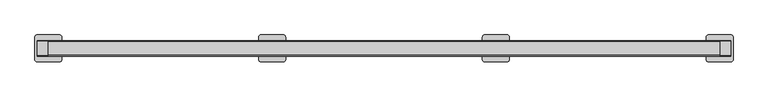
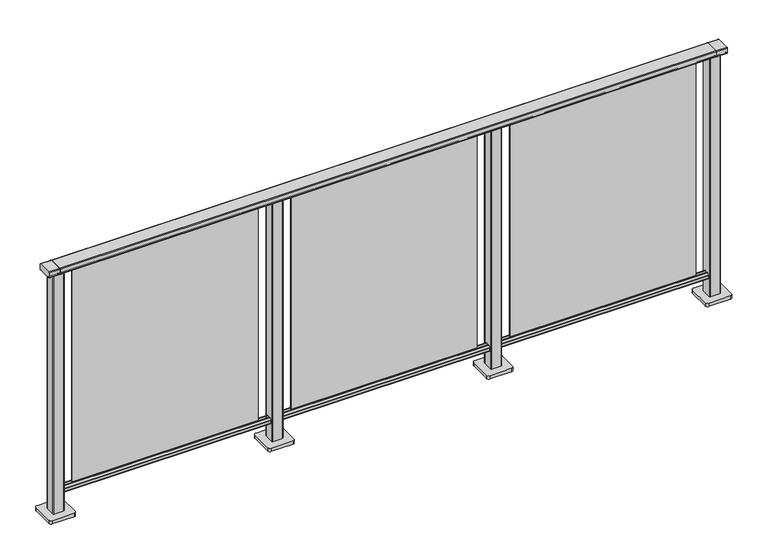
"""IFC4 building model written with IfcOpenShell, lengths in millimetres: railing geometry."""

from ifc_helpers import new_model, si_unit, point, frame, frame_2d, origin, origin_with_axes, place, context, project, spatial, polyline, circle_curve, trimmed, segment, composite_curve, outline, extrude, source, transform, mapped, element, save


def railing_82c3484a(model_context):
    return source(origin(), model_context, "Body", "SweptSolid", [
        extrude(outline(composite_curve([segment(trimmed(circle_curve(frame_2d((9717.8460333, 1197.0)), 3.0), [point((9717.8460333, 1200.0))], [point((9720.8460333, 1197.0))], False, "CARTESIAN"), True, "CONTINUOUS"), segment(polyline([(9720.8460333, 1197.0), (9720.8460333, 1174.8)]), True, "CONTINUOUS"), segment(trimmed(circle_curve(frame_2d((9717.8460333, 1174.8)), 3.0), [point((9720.8460333, 1174.8))], [point((9717.8460333, 1171.8))], False, "CARTESIAN"), True, "CONTINUOUS"), segment(polyline([(9717.8460333, 1171.8), (9712.9961193, 1171.8)]), True, "CONTINUOUS"), segment(trimmed(circle_curve(frame_2d((9712.9961193, 1172.7286632)), 0.9286632), [point((9712.9961193, 1171.8))], [point((9712.0960471, 1172.5000033))], False, "CARTESIAN"), True, "CONTINUOUS"), segment(trimmed(circle_curve(frame_2d((9711.5960471, 1172.5000003)), 0.5), [point((9712.0960471, 1172.5000033))], [point((9711.5960471, 1172.0000003))], False, "CARTESIAN"), True, "CONTINUOUS"), segment(polyline([(9711.5960471, 1172.0000003), (9694.5751393, 1172.0000003)]), True, "CONTINUOUS"), segment(trimmed(circle_curve(frame_2d((9685.8508208, 1188.8785723)), 18.999998), [point((9694.5751393, 1172.0000003))], [point((9677.1265024, 1172.0000003))], False, "CARTESIAN"), True, "CONTINUOUS"), segment(polyline([(9677.1265024, 1172.0000003), (9660.0960436, 1172.0000003)]), True, "CONTINUOUS"), segment(trimmed(circle_curve(frame_2d((9660.0960436, 1172.5000003)), 0.5), [point((9660.0960436, 1172.0000003))], [point((9659.5960436, 1172.5000033))], False, "CARTESIAN"), True, "CONTINUOUS"), segment(trimmed(circle_curve(frame_2d((9658.6961402, 1172.7284461)), 0.9284461), [point((9659.5960436, 1172.5000033))], [point((9658.6961402, 1171.8))], False, "CARTESIAN"), True, "CONTINUOUS"), segment(polyline([(9658.6961402, 1171.8), (9653.8460333, 1171.8)]), True, "CONTINUOUS"), segment(trimmed(circle_curve(frame_2d((9653.8460333, 1174.8)), 3.0), [point((9653.8460333, 1171.8))], [point((9650.8460333, 1174.8))], False, "CARTESIAN"), True, "CONTINUOUS"), segment(polyline([(9650.8460333, 1174.8), (9650.8460333, 1197.0)]), True, "CONTINUOUS"), segment(trimmed(circle_curve(frame_2d((9653.8460333, 1197.0)), 3.0), [point((9650.8460333, 1197.0))], [point((9653.8460333, 1200.0))], False, "CARTESIAN"), True, "CONTINUOUS"), segment(polyline([(9653.8460333, 1200.0), (9717.8460333, 1200.0)]), True, "CONTINUOUS")], self_intersect=False)), frame((3691.3946925, 0.0, 0.0), z_axis=(1.0, 0.0, 0.0), x_axis=(0.0, 1.0, 0.0)), (0.0, 0.0, 1.0), 3000.0),
        extrude(outline(composite_curve([segment(polyline([(9701.5508136, 100.0), (9670.1507946, 100.0)]), True, "CONTINUOUS"), segment(trimmed(circle_curve(frame_2d((9670.1507946, 101.8)), 1.8), [point((9670.1507946, 100.0))], [point((9668.3507946, 101.8))], False, "CARTESIAN"), True, "CONTINUOUS"), segment(polyline([(9668.3507946, 101.8), (9668.3507946, 115.5269955)]), True, "CONTINUOUS"), segment(trimmed(circle_curve(frame_2d((9670.1507946, 115.5269955)), 1.8), [point((9668.3507946, 115.5269955))], [point((9668.7923399, 116.7079277))], False, "CARTESIAN"), True, "CONTINUOUS"), segment(polyline([(9668.7923399, 116.7079277), (9675.4626384, 124.3809322)]), True, "CONTINUOUS"), segment(trimmed(circle_curve(frame_2d((9676.8210931, 123.2)), 1.8), [point((9675.4626384, 124.3809322))], [point((9676.8210931, 125.0))], False, "CARTESIAN"), True, "CONTINUOUS"), segment(polyline([(9676.8210931, 125.0), (9680.5111113, 125.0), (9681.809143, 113.0), (9689.8924411, 113.0), (9691.1904978, 125.0), (9694.88054, 125.0)]), True, "CONTINUOUS"), segment(trimmed(circle_curve(frame_2d((9694.88054, 123.2)), 1.8), [point((9694.88054, 125.0))], [point((9696.2389969, 124.3809297))], False, "CARTESIAN"), True, "CONTINUOUS"), segment(polyline([(9696.2389969, 124.3809297), (9702.9092704, 116.7079252)]), True, "CONTINUOUS"), segment(trimmed(circle_curve(frame_2d((9701.5508136, 115.5269955)), 1.8), [point((9702.9092704, 116.7079252))], [point((9703.3508136, 115.5269955))], False, "CARTESIAN"), True, "CONTINUOUS"), segment(polyline([(9703.3508136, 115.5269955), (9703.3508136, 101.8)]), True, "CONTINUOUS"), segment(trimmed(circle_curve(frame_2d((9701.5508136, 101.8)), 1.8), [point((9703.3508136, 101.8))], [point((9701.5508136, 100.0))], False, "CARTESIAN"), True, "CONTINUOUS")], self_intersect=False)), frame((3691.3946925, 0.0, 0.0), z_axis=(1.0, 0.0, 0.0), x_axis=(0.0, 1.0, 0.0)), (0.0, 0.0, 1.0), 3000.0),
        extrude(outline(polyline([(5766.3946925, 9687.8508041), (6616.3946925, 9687.8508041), (6616.3946925, 9683.8508041), (5766.3946925, 9683.8508041), (5766.3946925, 9687.8508041)])), frame((0.0, 0.0, 125.0), z_axis=(0.0, 0.0, 1.0), x_axis=(1.0, 0.0, 0.0)), (0.0, 0.0, 1.0), 1044.8785743),
        extrude(outline(composite_curve([segment(trimmed(circle_curve(frame_2d((5668.994681, 9708.2508266)), 3.0), [point((5665.994681, 9708.2508266))], [point((5668.994681, 9711.2508266))], False, "CARTESIAN"), True, "CONTINUOUS"), segment(polyline([(5668.994681, 9711.2508266), (5713.794704, 9711.2508266)]), True, "CONTINUOUS"), segment(trimmed(circle_curve(frame_2d((5713.794704, 9708.2508266)), 3.0), [point((5713.794704, 9711.2508266))], [point((5716.794704, 9708.2508266))], False, "CARTESIAN"), True, "CONTINUOUS"), segment(polyline([(5716.794704, 9708.2508266), (5716.794704, 9663.4508036)]), True, "CONTINUOUS"), segment(trimmed(circle_curve(frame_2d((5713.794704, 9663.4508036)), 3.0), [point((5716.794704, 9663.4508036))], [point((5713.794704, 9660.4508036))], False, "CARTESIAN"), True, "CONTINUOUS"), segment(polyline([(5713.794704, 9660.4508036), (5668.994681, 9660.4508036)]), True, "CONTINUOUS"), segment(trimmed(circle_curve(frame_2d((5668.994681, 9663.4508036)), 3.0), [point((5668.994681, 9660.4508036))], [point((5665.994681, 9663.4508036))], False, "CARTESIAN"), True, "CONTINUOUS"), segment(polyline([(5665.994681, 9663.4508036), (5665.994681, 9708.2508266)]), True, "CONTINUOUS")], self_intersect=False)), frame((0.0, 0.0, 16.0), z_axis=(0.0, 0.0, 1.0), x_axis=(1.0, 0.0, 0.0)), (0.0, 0.0, 1.0), 1153.8785743),
        extrude(outline(composite_curve([segment(trimmed(circle_curve(frame_2d((5641.394681, 9735.8508151)), 10.0), [point((5631.394681, 9735.8508151))], [point((5641.394681, 9745.8508151))], False, "CARTESIAN"), True, "CONTINUOUS"), segment(polyline([(5641.394681, 9745.8508151), (5741.394681, 9745.8508151)]), True, "CONTINUOUS"), segment(trimmed(circle_curve(frame_2d((5741.394681, 9735.8508151)), 10.0), [point((5741.394681, 9745.8508151))], [point((5751.394681, 9735.8508151))], False, "CARTESIAN"), True, "CONTINUOUS"), segment(polyline([(5751.394681, 9735.8508151), (5751.394681, 9635.8508151)]), True, "CONTINUOUS"), segment(trimmed(circle_curve(frame_2d((5741.394681, 9635.8508151)), 10.0), [point((5751.394681, 9635.8508151))], [point((5741.394681, 9625.8508151))], False, "CARTESIAN"), True, "CONTINUOUS"), segment(polyline([(5741.394681, 9625.8508151), (5641.394681, 9625.8508151)]), True, "CONTINUOUS"), segment(trimmed(circle_curve(frame_2d((5641.394681, 9635.8508151)), 10.0), [point((5641.394681, 9625.8508151))], [point((5631.394681, 9635.8508151))], False, "CARTESIAN"), True, "CONTINUOUS"), segment(polyline([(5631.394681, 9635.8508151), (5631.394681, 9735.8508151)]), True, "CONTINUOUS")], self_intersect=False)), origin_with_axes(), (0.0, 0.0, 1.0), 16.0),
        extrude(outline(polyline([(4766.3946925, 9687.8508041), (5616.3946925, 9687.8508041), (5616.3946925, 9683.8508041), (4766.3946925, 9683.8508041), (4766.3946925, 9687.8508041)])), frame((0.0, 0.0, 125.0), z_axis=(0.0, 0.0, 1.0), x_axis=(1.0, 0.0, 0.0)), (0.0, 0.0, 1.0), 1044.8785743),
        extrude(outline(composite_curve([segment(trimmed(circle_curve(frame_2d((4668.994681, 9708.2508266)), 3.0), [point((4665.994681, 9708.2508266))], [point((4668.994681, 9711.2508266))], False, "CARTESIAN"), True, "CONTINUOUS"), segment(polyline([(4668.994681, 9711.2508266), (4713.794704, 9711.2508266)]), True, "CONTINUOUS"), segment(trimmed(circle_curve(frame_2d((4713.794704, 9708.2508266)), 3.0), [point((4713.794704, 9711.2508266))], [point((4716.794704, 9708.2508266))], False, "CARTESIAN"), True, "CONTINUOUS"), segment(polyline([(4716.794704, 9708.2508266), (4716.794704, 9663.4508036)]), True, "CONTINUOUS"), segment(trimmed(circle_curve(frame_2d((4713.794704, 9663.4508036)), 3.0), [point((4716.794704, 9663.4508036))], [point((4713.794704, 9660.4508036))], False, "CARTESIAN"), True, "CONTINUOUS"), segment(polyline([(4713.794704, 9660.4508036), (4668.994681, 9660.4508036)]), True, "CONTINUOUS"), segment(trimmed(circle_curve(frame_2d((4668.994681, 9663.4508036)), 3.0), [point((4668.994681, 9660.4508036))], [point((4665.994681, 9663.4508036))], False, "CARTESIAN"), True, "CONTINUOUS"), segment(polyline([(4665.994681, 9663.4508036), (4665.994681, 9708.2508266)]), True, "CONTINUOUS")], self_intersect=False)), frame((0.0, 0.0, 16.0), z_axis=(0.0, 0.0, 1.0), x_axis=(1.0, 0.0, 0.0)), (0.0, 0.0, 1.0), 1153.8785743),
        extrude(outline(composite_curve([segment(trimmed(circle_curve(frame_2d((4641.394681, 9735.8508151)), 10.0), [point((4631.394681, 9735.8508151))], [point((4641.394681, 9745.8508151))], False, "CARTESIAN"), True, "CONTINUOUS"), segment(polyline([(4641.394681, 9745.8508151), (4741.394681, 9745.8508151)]), True, "CONTINUOUS"), segment(trimmed(circle_curve(frame_2d((4741.394681, 9735.8508151)), 10.0), [point((4741.394681, 9745.8508151))], [point((4751.394681, 9735.8508151))], False, "CARTESIAN"), True, "CONTINUOUS"), segment(polyline([(4751.394681, 9735.8508151), (4751.394681, 9635.8508151)]), True, "CONTINUOUS"), segment(trimmed(circle_curve(frame_2d((4741.394681, 9635.8508151)), 10.0), [point((4751.394681, 9635.8508151))], [point((4741.394681, 9625.8508151))], False, "CARTESIAN"), True, "CONTINUOUS"), segment(polyline([(4741.394681, 9625.8508151), (4641.394681, 9625.8508151)]), True, "CONTINUOUS"), segment(trimmed(circle_curve(frame_2d((4641.394681, 9635.8508151)), 10.0), [point((4641.394681, 9625.8508151))], [point((4631.394681, 9635.8508151))], False, "CARTESIAN"), True, "CONTINUOUS"), segment(polyline([(4631.394681, 9635.8508151), (4631.394681, 9735.8508151)]), True, "CONTINUOUS")], self_intersect=False)), origin_with_axes(), (0.0, 0.0, 1.0), 16.0),
        extrude(outline(polyline([(3766.3946925, 9687.8508041), (4616.3946925, 9687.8508041), (4616.3946925, 9683.8508041), (3766.3946925, 9683.8508041), (3766.3946925, 9687.8508041)])), frame((0.0, 0.0, 125.0), z_axis=(0.0, 0.0, 1.0), x_axis=(1.0, 0.0, 0.0)), (0.0, 0.0, 1.0), 1044.8785743),
        extrude(outline(composite_curve([segment(trimmed(circle_curve(frame_2d((6668.994681, 9708.2508266)), 3.0), [point((6665.994681, 9708.2508266))], [point((6668.994681, 9711.2508266))], False, "CARTESIAN"), True, "CONTINUOUS"), segment(polyline([(6668.994681, 9711.2508266), (6713.794704, 9711.2508266)]), True, "CONTINUOUS"), segment(trimmed(circle_curve(frame_2d((6713.794704, 9708.2508266)), 3.0), [point((6713.794704, 9711.2508266))], [point((6716.794704, 9708.2508266))], False, "CARTESIAN"), True, "CONTINUOUS"), segment(polyline([(6716.794704, 9708.2508266), (6716.794704, 9663.4508036)]), True, "CONTINUOUS"), segment(trimmed(circle_curve(frame_2d((6713.794704, 9663.4508036)), 3.0), [point((6716.794704, 9663.4508036))], [point((6713.794704, 9660.4508036))], False, "CARTESIAN"), True, "CONTINUOUS"), segment(polyline([(6713.794704, 9660.4508036), (6668.994681, 9660.4508036)]), True, "CONTINUOUS"), segment(trimmed(circle_curve(frame_2d((6668.994681, 9663.4508036)), 3.0), [point((6668.994681, 9660.4508036))], [point((6665.994681, 9663.4508036))], False, "CARTESIAN"), True, "CONTINUOUS"), segment(polyline([(6665.994681, 9663.4508036), (6665.994681, 9708.2508266)]), True, "CONTINUOUS")], self_intersect=False)), frame((0.0, 0.0, 16.0), z_axis=(0.0, 0.0, 1.0), x_axis=(1.0, 0.0, 0.0)), (0.0, 0.0, 1.0), 1153.8785743),
        extrude(outline(composite_curve([segment(trimmed(circle_curve(frame_2d((6641.394681, 9735.8508151)), 10.0), [point((6631.394681, 9735.8508151))], [point((6641.394681, 9745.8508151))], False, "CARTESIAN"), True, "CONTINUOUS"), segment(polyline([(6641.394681, 9745.8508151), (6741.394681, 9745.8508151)]), True, "CONTINUOUS"), segment(trimmed(circle_curve(frame_2d((6741.394681, 9735.8508151)), 10.0), [point((6741.394681, 9745.8508151))], [point((6751.394681, 9735.8508151))], False, "CARTESIAN"), True, "CONTINUOUS"), segment(polyline([(6751.394681, 9735.8508151), (6751.394681, 9635.8508151)]), True, "CONTINUOUS"), segment(trimmed(circle_curve(frame_2d((6741.394681, 9635.8508151)), 10.0), [point((6751.394681, 9635.8508151))], [point((6741.394681, 9625.8508151))], False, "CARTESIAN"), True, "CONTINUOUS"), segment(polyline([(6741.394681, 9625.8508151), (6641.394681, 9625.8508151)]), True, "CONTINUOUS"), segment(trimmed(circle_curve(frame_2d((6641.394681, 9635.8508151)), 10.0), [point((6641.394681, 9625.8508151))], [point((6631.394681, 9635.8508151))], False, "CARTESIAN"), True, "CONTINUOUS"), segment(polyline([(6631.394681, 9635.8508151), (6631.394681, 9735.8508151)]), True, "CONTINUOUS")], self_intersect=False)), origin_with_axes(), (0.0, 0.0, 1.0), 16.0),
        extrude(outline(composite_curve([segment(trimmed(circle_curve(frame_2d((9717.8460333, 1197.0)), 3.0), [point((9717.8460333, 1200.0))], [point((9720.8460333, 1197.0))], False, "CARTESIAN"), True, "CONTINUOUS"), segment(polyline([(9720.8460333, 1197.0), (9720.8460333, 1174.8)]), True, "CONTINUOUS"), segment(trimmed(circle_curve(frame_2d((9717.8460333, 1174.8)), 3.0), [point((9720.8460333, 1174.8))], [point((9717.8460333, 1171.8))], False, "CARTESIAN"), True, "CONTINUOUS"), segment(polyline([(9717.8460333, 1171.8), (9712.9961193, 1171.8)]), True, "CONTINUOUS"), segment(trimmed(circle_curve(frame_2d((9712.9961193, 1172.7286632)), 0.9286632), [point((9712.9961193, 1171.8))], [point((9712.0960471, 1172.5000033))], False, "CARTESIAN"), True, "CONTINUOUS"), segment(trimmed(circle_curve(frame_2d((9711.5960471, 1172.5000003)), 0.5), [point((9712.0960471, 1172.5000033))], [point((9711.5960471, 1172.0000003))], False, "CARTESIAN"), True, "CONTINUOUS"), segment(polyline([(9711.5960471, 1172.0000003), (9694.5751393, 1172.0000003)]), True, "CONTINUOUS"), segment(trimmed(circle_curve(frame_2d((9685.8508208, 1188.8785723)), 18.999998), [point((9694.5751393, 1172.0000003))], [point((9677.1265024, 1172.0000003))], False, "CARTESIAN"), True, "CONTINUOUS"), segment(polyline([(9677.1265024, 1172.0000003), (9660.0960436, 1172.0000003)]), True, "CONTINUOUS"), segment(trimmed(circle_curve(frame_2d((9660.0960436, 1172.5000003)), 0.5), [point((9660.0960436, 1172.0000003))], [point((9659.5960436, 1172.5000033))], False, "CARTESIAN"), True, "CONTINUOUS"), segment(trimmed(circle_curve(frame_2d((9658.6961402, 1172.7284461)), 0.9284461), [point((9659.5960436, 1172.5000033))], [point((9658.6961402, 1171.8))], False, "CARTESIAN"), True, "CONTINUOUS"), segment(polyline([(9658.6961402, 1171.8), (9653.8460333, 1171.8)]), True, "CONTINUOUS"), segment(trimmed(circle_curve(frame_2d((9653.8460333, 1174.8)), 3.0), [point((9653.8460333, 1171.8))], [point((9650.8460333, 1174.8))], False, "CARTESIAN"), True, "CONTINUOUS"), segment(polyline([(9650.8460333, 1174.8), (9650.8460333, 1197.0)]), True, "CONTINUOUS"), segment(trimmed(circle_curve(frame_2d((9653.8460333, 1197.0)), 3.0), [point((9650.8460333, 1197.0))], [point((9653.8460333, 1200.0))], False, "CARTESIAN"), True, "CONTINUOUS"), segment(polyline([(9653.8460333, 1200.0), (9717.8460333, 1200.0)]), True, "CONTINUOUS")], self_intersect=False)), frame((6691.3946925, 0.0, 0.0), z_axis=(1.0, 0.0, 0.0), x_axis=(0.0, 1.0, 0.0)), (0.0, 0.0, 1.0), 50.0),
        extrude(outline(composite_curve([segment(trimmed(circle_curve(frame_2d((3668.994681, 9708.2508266)), 3.0), [point((3665.994681, 9708.2508266))], [point((3668.994681, 9711.2508266))], False, "CARTESIAN"), True, "CONTINUOUS"), segment(polyline([(3668.994681, 9711.2508266), (3713.794704, 9711.2508266)]), True, "CONTINUOUS"), segment(trimmed(circle_curve(frame_2d((3713.794704, 9708.2508266)), 3.0), [point((3713.794704, 9711.2508266))], [point((3716.794704, 9708.2508266))], False, "CARTESIAN"), True, "CONTINUOUS"), segment(polyline([(3716.794704, 9708.2508266), (3716.794704, 9663.4508036)]), True, "CONTINUOUS"), segment(trimmed(circle_curve(frame_2d((3713.794704, 9663.4508036)), 3.0), [point((3716.794704, 9663.4508036))], [point((3713.794704, 9660.4508036))], False, "CARTESIAN"), True, "CONTINUOUS"), segment(polyline([(3713.794704, 9660.4508036), (3668.994681, 9660.4508036)]), True, "CONTINUOUS"), segment(trimmed(circle_curve(frame_2d((3668.994681, 9663.4508036)), 3.0), [point((3668.994681, 9660.4508036))], [point((3665.994681, 9663.4508036))], False, "CARTESIAN"), True, "CONTINUOUS"), segment(polyline([(3665.994681, 9663.4508036), (3665.994681, 9708.2508266)]), True, "CONTINUOUS")], self_intersect=False)), frame((0.0, 0.0, 16.0), z_axis=(0.0, 0.0, 1.0), x_axis=(1.0, 0.0, 0.0)), (0.0, 0.0, 1.0), 1153.8785743),
        extrude(outline(composite_curve([segment(trimmed(circle_curve(frame_2d((3641.394681, 9735.8508151)), 10.0), [point((3631.394681, 9735.8508151))], [point((3641.394681, 9745.8508151))], False, "CARTESIAN"), True, "CONTINUOUS"), segment(polyline([(3641.394681, 9745.8508151), (3741.394681, 9745.8508151)]), True, "CONTINUOUS"), segment(trimmed(circle_curve(frame_2d((3741.394681, 9735.8508151)), 10.0), [point((3741.394681, 9745.8508151))], [point((3751.394681, 9735.8508151))], False, "CARTESIAN"), True, "CONTINUOUS"), segment(polyline([(3751.394681, 9735.8508151), (3751.394681, 9635.8508151)]), True, "CONTINUOUS"), segment(trimmed(circle_curve(frame_2d((3741.394681, 9635.8508151)), 10.0), [point((3751.394681, 9635.8508151))], [point((3741.394681, 9625.8508151))], False, "CARTESIAN"), True, "CONTINUOUS"), segment(polyline([(3741.394681, 9625.8508151), (3641.394681, 9625.8508151)]), True, "CONTINUOUS"), segment(trimmed(circle_curve(frame_2d((3641.394681, 9635.8508151)), 10.0), [point((3641.394681, 9625.8508151))], [point((3631.394681, 9635.8508151))], False, "CARTESIAN"), True, "CONTINUOUS"), segment(polyline([(3631.394681, 9635.8508151), (3631.394681, 9735.8508151)]), True, "CONTINUOUS")], self_intersect=False)), origin_with_axes(), (0.0, 0.0, 1.0), 16.0),
        extrude(outline(composite_curve([segment(trimmed(circle_curve(frame_2d((9717.8460333, 1197.0)), 3.0), [point((9717.8460333, 1200.0))], [point((9720.8460333, 1197.0))], False, "CARTESIAN"), True, "CONTINUOUS"), segment(polyline([(9720.8460333, 1197.0), (9720.8460333, 1174.8)]), True, "CONTINUOUS"), segment(trimmed(circle_curve(frame_2d((9717.8460333, 1174.8)), 3.0), [point((9720.8460333, 1174.8))], [point((9717.8460333, 1171.8))], False, "CARTESIAN"), True, "CONTINUOUS"), segment(polyline([(9717.8460333, 1171.8), (9712.9961193, 1171.8)]), True, "CONTINUOUS"), segment(trimmed(circle_curve(frame_2d((9712.9961193, 1172.7286632)), 0.9286632), [point((9712.9961193, 1171.8))], [point((9712.0960471, 1172.5000033))], False, "CARTESIAN"), True, "CONTINUOUS"), segment(trimmed(circle_curve(frame_2d((9711.5960471, 1172.5000003)), 0.5), [point((9712.0960471, 1172.5000033))], [point((9711.5960471, 1172.0000003))], False, "CARTESIAN"), True, "CONTINUOUS"), segment(polyline([(9711.5960471, 1172.0000003), (9694.5751393, 1172.0000003)]), True, "CONTINUOUS"), segment(trimmed(circle_curve(frame_2d((9685.8508208, 1188.8785723)), 18.999998), [point((9694.5751393, 1172.0000003))], [point((9677.1265024, 1172.0000003))], False, "CARTESIAN"), True, "CONTINUOUS"), segment(polyline([(9677.1265024, 1172.0000003), (9660.0960436, 1172.0000003)]), True, "CONTINUOUS"), segment(trimmed(circle_curve(frame_2d((9660.0960436, 1172.5000003)), 0.5), [point((9660.0960436, 1172.0000003))], [point((9659.5960436, 1172.5000033))], False, "CARTESIAN"), True, "CONTINUOUS"), segment(trimmed(circle_curve(frame_2d((9658.6961402, 1172.7284461)), 0.9284461), [point((9659.5960436, 1172.5000033))], [point((9658.6961402, 1171.8))], False, "CARTESIAN"), True, "CONTINUOUS"), segment(polyline([(9658.6961402, 1171.8), (9653.8460333, 1171.8)]), True, "CONTINUOUS"), segment(trimmed(circle_curve(frame_2d((9653.8460333, 1174.8)), 3.0), [point((9653.8460333, 1171.8))], [point((9650.8460333, 1174.8))], False, "CARTESIAN"), True, "CONTINUOUS"), segment(polyline([(9650.8460333, 1174.8), (9650.8460333, 1197.0)]), True, "CONTINUOUS"), segment(trimmed(circle_curve(frame_2d((9653.8460333, 1197.0)), 3.0), [point((9650.8460333, 1197.0))], [point((9653.8460333, 1200.0))], False, "CARTESIAN"), True, "CONTINUOUS"), segment(polyline([(9653.8460333, 1200.0), (9717.8460333, 1200.0)]), True, "CONTINUOUS")], self_intersect=False)), frame((3641.3946925, 0.0, 0.0), z_axis=(1.0, 0.0, 0.0), x_axis=(0.0, 1.0, 0.0)), (0.0, 0.0, 1.0), 50.0),
    ])


if __name__ == "__main__":
    model = new_model("IFC4")
    model_context = context("Model", 3, world=origin())
    ifc_project = project(units=[si_unit("LENGTHUNIT", "METRE", prefix="MILLI")], contexts=[model_context])
    site = spatial("IfcSite", under=ifc_project)
    building = spatial("IfcBuilding", under=site)
    placement = place(None, origin())
    railing_shape = railing_82c3484a(model_context)
    element("IfcRailing", 1, at=placement, inside=building, context=model_context, shape_type="MappedRepresentation", body=[
        mapped(railing_shape, transform((0.0, 0.0, 0.0), x_axis=(1.0, 0.0, 0.0), y_axis=(0.0, 1.0, 0.0), z_axis=(0.0, 0.0, 1.0))),
    ])
    save(model, "model.ifc")
